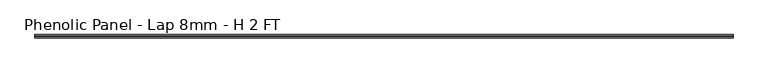
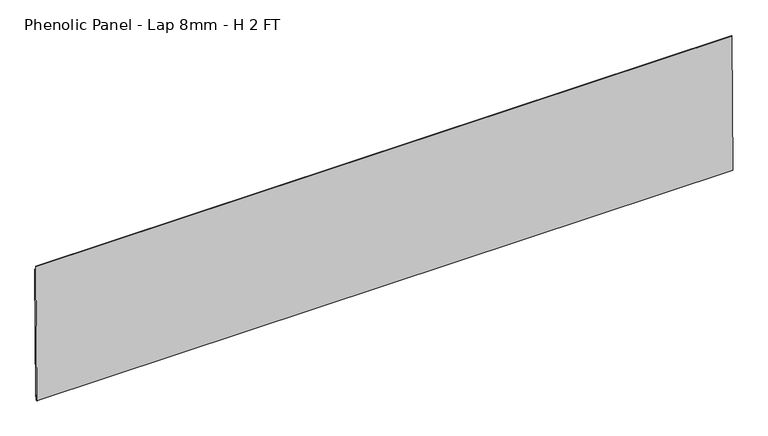
"""IFC4 building model written with IfcOpenShell, lengths in millimetres: proxy geometry, Phenolic Panel - Lap 8mm - H 2 FT."""

from ifc_helpers import new_model, si_unit, frame, origin, place, context, project, spatial, polyline, outline, extrude, source, transform, mapped, element, save


def phenolic_panel_lap_8mm_h_2_ft_6a297cbb(model_context):
    return source(origin(), model_context, "Body", "SweptSolid", [
        extrude(outline(polyline([(2.7732555, 593.6735917), (-2.7736212, 15.850215), (-5.1547614, 15.873073), (-5.0785681, 23.8102073), (-7.6581367, 23.8349701), (-7.8867168, 0.0235672), (-9.8571575, 0.0424827), (-10.8534851, 1.0581244), (-5.0211492, 608.618069), (-4.0055075, 609.6143966), (-2.6240021, 609.6011347), (-2.7763888, 593.7268661), (2.7732555, 593.6735917)])), frame((-1787.525, 0.0, 0.0), z_axis=(1.0, 0.0, 0.0), x_axis=(0.0, 1.0, 0.0)), (0.0, 0.0, 1.0), 3006.725),
    ])


if __name__ == "__main__":
    model = new_model("IFC4")
    model_context = context("Model", 3, world=origin())
    ifc_project = project(units=[si_unit("LENGTHUNIT", "METRE", prefix="MILLI")], contexts=[model_context])
    site = spatial("IfcSite", under=ifc_project)
    building = spatial("IfcBuilding", under=site)
    placement = place(None, origin())
    phenolic_panel_lap_8mm_h_2_ft_shape = phenolic_panel_lap_8mm_h_2_ft_6a297cbb(model_context)
    element("IfcBuildingElementProxy", 1, Name="Phenolic Panel - Lap 8mm - H 2 FT", ObjectType="Phenolic Panel - Lap 8mm - H 2 FT", at=placement, inside=building, context=model_context, shape_type="MappedRepresentation", body=[
        mapped(phenolic_panel_lap_8mm_h_2_ft_shape, transform((0.0, 0.0, 0.0), x_axis=(1.0, 0.0, 0.0), y_axis=(0.0, 1.0, 0.0), z_axis=(0.0, 0.0, 1.0))),
    ])
    save(model, "model.ifc")
